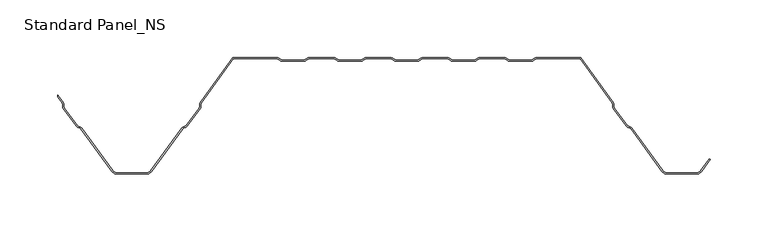
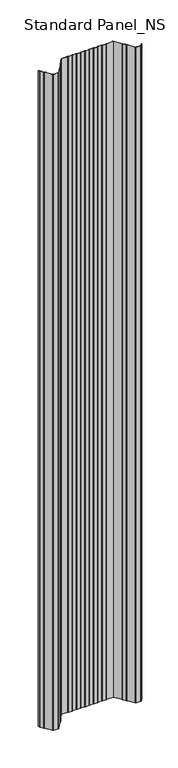
"""IFC4 building model written with IfcOpenShell, lengths in millimetres: proxy geometry, Standard Panel_NS."""

from ifc_helpers import new_model, si_unit, point, frame_2d, origin, origin_with_axes, place, context, project, spatial, polyline, circle_curve, trimmed, segment, composite_curve, outline, extrude, source, transform, mapped, element, save


def standard_panel_ns_eb3ed617(model_context):
    return source(origin(), model_context, "Body", "SweptSolid", [
        extrude(outline(composite_curve([segment(trimmed(circle_curve(frame_2d((-267.5943584, -40.4146398)), 2.7486049), [point((-265.3690592, -38.8012978))], [point((-264.8478765, -40.3066321))], False, "CARTESIAN"), True, "CONTINUOUS"), segment(polyline([(-264.8478765, -40.3066321), (-264.7597011, -42.5488047)]), True, "CONTINUOUS"), segment(trimmed(circle_curve(frame_2d((-263.0124468, -42.4800924)), 1.7486049), [point((-264.7597011, -42.5488047))], [point((-264.4281356, -43.5064668))], True, "CARTESIAN"), True, "CONTINUOUS"), segment(polyline([(-264.4281356, -43.5064668), (-253.3103065, -58.8414035)]), True, "CONTINUOUS"), segment(trimmed(circle_curve(frame_2d((-251.8946177, -57.8150291)), 1.7486049), [point((-253.3103065, -58.8414035))], [point((-252.5032119, -59.4543071))], True, "CARTESIAN"), True, "CONTINUOUS"), segment(polyline([(-252.5032119, -59.4543071), (-250.3996005, -60.2352885)]), True, "CONTINUOUS"), segment(trimmed(circle_curve(frame_2d((-251.3562403, -62.8120441)), 2.7486049), [point((-250.3996005, -60.2352885))], [point((-249.1309411, -61.1987022))], False, "CARTESIAN"), True, "CONTINUOUS"), segment(polyline([(-249.1309411, -61.1987022), (-222.4972427, -97.9348379)]), True, "CONTINUOUS"), segment(trimmed(circle_curve(frame_2d((-218.4491905, -95.0)), 5.0), [point((-222.4972427, -97.9348379))], [point((-218.4491905, -100.0))], True, "CARTESIAN"), True, "CONTINUOUS"), segment(polyline([(-218.4491905, -100.0), (-193.5508098, -100.0)]), True, "CONTINUOUS"), segment(trimmed(circle_curve(frame_2d((-193.5508098, -95.0)), 5.0), [point((-193.5508098, -100.0))], [point((-189.5027576, -97.9348379))], True, "CARTESIAN"), True, "CONTINUOUS"), segment(polyline([(-189.5027576, -97.9348379), (-162.8690592, -61.1987022)]), True, "CONTINUOUS"), segment(trimmed(circle_curve(frame_2d((-160.64376, -62.8120441)), 2.7486049), [point((-162.8690592, -61.1987022))], [point((-161.6003998, -60.2352885))], False, "CARTESIAN"), True, "CONTINUOUS"), segment(polyline([(-161.6003998, -60.2352885), (-159.4967884, -59.4543071)]), True, "CONTINUOUS"), segment(trimmed(circle_curve(frame_2d((-160.1053826, -57.8150291)), 1.7486049), [point((-159.4967884, -59.4543071))], [point((-158.6896938, -58.8414035))], True, "CARTESIAN"), True, "CONTINUOUS"), segment(polyline([(-158.6896938, -58.8414035), (-147.5718647, -43.5064668)]), True, "CONTINUOUS"), segment(trimmed(circle_curve(frame_2d((-148.9875535, -42.4800924)), 1.7486049), [point((-147.5718647, -43.5064668))], [point((-147.2402992, -42.5488047))], True, "CARTESIAN"), True, "CONTINUOUS"), segment(polyline([(-147.2402992, -42.5488047), (-147.1521238, -40.3066321)]), True, "CONTINUOUS"), segment(trimmed(circle_curve(frame_2d((-144.4056419, -40.4146398)), 2.7486049), [point((-147.1521238, -40.3066321))], [point((-146.6309411, -38.8012978))], False, "CARTESIAN"), True, "CONTINUOUS"), segment(polyline([(-146.6309411, -38.8012978), (-118.5000002, 0.0), (-80.1655441, 0.0)]), True, "CONTINUOUS"), segment(trimmed(circle_curve(frame_2d((-80.1655441, -2.7486049)), 2.7486049), [point((-80.1655441, 0.0))], [point((-78.6408924, -0.4616274))], False, "CARTESIAN"), True, "CONTINUOUS"), segment(polyline([(-78.6408924, -0.4616274), (-76.77385, -1.7063223)]), True, "CONTINUOUS"), segment(trimmed(circle_curve(frame_2d((-75.8038985, -0.2513951)), 1.7486049), [point((-76.77385, -1.7063223))], [point((-75.8038985, -2.0))], True, "CARTESIAN"), True, "CONTINUOUS"), segment(polyline([(-75.8038985, -2.0), (-56.8627684, -2.0)]), True, "CONTINUOUS"), segment(trimmed(circle_curve(frame_2d((-56.8627684, -0.2513951)), 1.7486049), [point((-56.8627684, -2.0))], [point((-55.892817, -1.7063223))], True, "CARTESIAN"), True, "CONTINUOUS"), segment(polyline([(-55.892817, -1.7063223), (-54.0257746, -0.4616274)]), True, "CONTINUOUS"), segment(trimmed(circle_curve(frame_2d((-52.5011229, -2.7486049)), 2.7486049), [point((-54.0257746, -0.4616274))], [point((-52.5011229, 0.0))], False, "CARTESIAN"), True, "CONTINUOUS"), segment(polyline([(-52.5011229, 0.0), (-30.9988774, 0.0)]), True, "CONTINUOUS"), segment(trimmed(circle_curve(frame_2d((-30.9988774, -2.7486049)), 2.7486049), [point((-30.9988774, 0.0))], [point((-29.4742257, -0.4616274))], False, "CARTESIAN"), True, "CONTINUOUS"), segment(polyline([(-29.4742257, -0.4616274), (-27.6071833, -1.7063223)]), True, "CONTINUOUS"), segment(trimmed(circle_curve(frame_2d((-26.6372319, -0.2513951)), 1.7486049), [point((-27.6071833, -1.7063223))], [point((-26.6372319, -2.0))], True, "CARTESIAN"), True, "CONTINUOUS"), segment(polyline([(-26.6372319, -2.0), (-7.6961018, -2.0)]), True, "CONTINUOUS"), segment(trimmed(circle_curve(frame_2d((-7.6961018, -0.2513951)), 1.7486049), [point((-7.6961018, -2.0))], [point((-6.7261503, -1.7063223))], True, "CARTESIAN"), True, "CONTINUOUS"), segment(polyline([(-6.7261503, -1.7063223), (-4.8591079, -0.4616274)]), True, "CONTINUOUS"), segment(trimmed(circle_curve(frame_2d((-3.3344562, -2.7486049)), 2.7486049), [point((-4.8591079, -0.4616274))], [point((-3.3344562, 0.0))], False, "CARTESIAN"), True, "CONTINUOUS"), segment(polyline([(-3.3344562, 0.0), (18.1677892, 0.0)]), True, "CONTINUOUS"), segment(trimmed(circle_curve(frame_2d((18.1677892, -2.7486049)), 2.7486049), [point((18.1677892, 0.0))], [point((19.6924409, -0.4616274))], False, "CARTESIAN"), True, "CONTINUOUS"), segment(polyline([(19.6924409, -0.4616274), (21.5594833, -1.7063223)]), True, "CONTINUOUS"), segment(trimmed(circle_curve(frame_2d((22.5294348, -0.2513951)), 1.7486049), [point((21.5594833, -1.7063223))], [point((22.5294348, -2.0))], True, "CARTESIAN"), True, "CONTINUOUS"), segment(polyline([(22.5294348, -2.0), (41.4705649, -2.0)]), True, "CONTINUOUS"), segment(trimmed(circle_curve(frame_2d((41.4705649, -0.2513951)), 1.7486049), [point((41.4705649, -2.0))], [point((42.4405164, -1.7063223))], True, "CARTESIAN"), True, "CONTINUOUS"), segment(polyline([(42.4405164, -1.7063223), (44.3075588, -0.4616274)]), True, "CONTINUOUS"), segment(trimmed(circle_curve(frame_2d((45.8322104, -2.7486049)), 2.7486049), [point((44.3075588, -0.4616274))], [point((45.8322104, 0.0))], False, "CARTESIAN"), True, "CONTINUOUS"), segment(polyline([(45.8322104, 0.0), (67.3344559, 0.0)]), True, "CONTINUOUS"), segment(trimmed(circle_curve(frame_2d((67.3344559, -2.7486049)), 2.7486049), [point((67.3344559, 0.0))], [point((68.8591076, -0.4616274))], False, "CARTESIAN"), True, "CONTINUOUS"), segment(polyline([(68.8591076, -0.4616274), (70.72615, -1.7063223)]), True, "CONTINUOUS"), segment(trimmed(circle_curve(frame_2d((71.6961015, -0.2513951)), 1.7486049), [point((70.72615, -1.7063223))], [point((71.6961015, -2.0))], True, "CARTESIAN"), True, "CONTINUOUS"), segment(polyline([(71.6961015, -2.0), (90.6372316, -2.0)]), True, "CONTINUOUS"), segment(trimmed(circle_curve(frame_2d((90.6372316, -0.2513951)), 1.7486049), [point((90.6372316, -2.0))], [point((91.607183, -1.7063223))], True, "CARTESIAN"), True, "CONTINUOUS"), segment(polyline([(91.607183, -1.7063223), (93.4742254, -0.4616274)]), True, "CONTINUOUS"), segment(trimmed(circle_curve(frame_2d((94.9988771, -2.7486049)), 2.7486049), [point((93.4742254, -0.4616274))], [point((94.9988771, 0.0))], False, "CARTESIAN"), True, "CONTINUOUS"), segment(polyline([(94.9988771, 0.0), (116.5011226, 0.0)]), True, "CONTINUOUS"), segment(trimmed(circle_curve(frame_2d((116.5011226, -2.7486049)), 2.7486049), [point((116.5011226, 0.0))], [point((118.0257743, -0.4616274))], False, "CARTESIAN"), True, "CONTINUOUS"), segment(polyline([(118.0257743, -0.4616274), (119.8928167, -1.7063223)]), True, "CONTINUOUS"), segment(trimmed(circle_curve(frame_2d((120.8627681, -0.2513951)), 1.7486049), [point((119.8928167, -1.7063223))], [point((120.8627681, -2.0))], True, "CARTESIAN"), True, "CONTINUOUS"), segment(polyline([(120.8627681, -2.0), (139.8038982, -2.0)]), True, "CONTINUOUS"), segment(trimmed(circle_curve(frame_2d((139.8038982, -0.2513951)), 1.7486049), [point((139.8038982, -2.0))], [point((140.7738497, -1.7063223))], True, "CARTESIAN"), True, "CONTINUOUS"), segment(polyline([(140.7738497, -1.7063223), (142.6408921, -0.4616274)]), True, "CONTINUOUS"), segment(trimmed(circle_curve(frame_2d((144.1655438, -2.7486049)), 2.7486049), [point((142.6408921, -0.4616274))], [point((144.1655438, 0.0))], False, "CARTESIAN"), True, "CONTINUOUS"), segment(polyline([(144.1655438, 0.0), (182.4999998, 0.0), (210.6309408, -38.8012978)]), True, "CONTINUOUS"), segment(trimmed(circle_curve(frame_2d((208.4056416, -40.4146398)), 2.7486049), [point((210.6309408, -38.8012978))], [point((211.1521235, -40.3066321))], False, "CARTESIAN"), True, "CONTINUOUS"), segment(polyline([(211.1521235, -40.3066321), (211.2402989, -42.5488047)]), True, "CONTINUOUS"), segment(trimmed(circle_curve(frame_2d((212.9875532, -42.4800924)), 1.7486049), [point((211.2402989, -42.5488047))], [point((211.5718644, -43.5064668))], True, "CARTESIAN"), True, "CONTINUOUS"), segment(polyline([(211.5718644, -43.5064668), (222.6896935, -58.8414035)]), True, "CONTINUOUS"), segment(trimmed(circle_curve(frame_2d((224.1053823, -57.8150291)), 1.7486049), [point((222.6896935, -58.8414035))], [point((223.4967881, -59.4543071))], True, "CARTESIAN"), True, "CONTINUOUS"), segment(polyline([(223.4967881, -59.4543071), (225.6003995, -60.2352885)]), True, "CONTINUOUS"), segment(trimmed(circle_curve(frame_2d((224.6437597, -62.8120441)), 2.7486049), [point((225.6003995, -60.2352885))], [point((226.8690589, -61.1987022))], False, "CARTESIAN"), True, "CONTINUOUS"), segment(polyline([(226.8690589, -61.1987022), (253.5027573, -97.9348379)]), True, "CONTINUOUS"), segment(trimmed(circle_curve(frame_2d((257.5508095, -95.0)), 5.0), [point((253.5027573, -97.9348379))], [point((257.5508095, -100.0))], True, "CARTESIAN"), True, "CONTINUOUS"), segment(polyline([(257.5508095, -100.0), (282.4491902, -100.0)]), True, "CONTINUOUS"), segment(trimmed(circle_curve(frame_2d((282.4491902, -95.0)), 5.0), [point((282.4491902, -100.0))], [point((286.4972424, -97.9348379))], True, "CARTESIAN"), True, "CONTINUOUS"), segment(polyline([(286.4972424, -97.9348379), (293.8045134, -87.8558433), (294.6141239, -88.4428109), (287.3068528, -98.5218054)]), True, "CONTINUOUS"), segment(trimmed(circle_curve(frame_2d((282.4491902, -95.0)), 6.0), [point((287.3068528, -98.5218054))], [point((282.4491902, -101.0))], False, "CARTESIAN"), True, "CONTINUOUS"), segment(polyline([(282.4491902, -101.0), (257.5508095, -101.0)]), True, "CONTINUOUS"), segment(trimmed(circle_curve(frame_2d((257.5508095, -95.0)), 6.0), [point((257.5508095, -101.0))], [point((252.6931469, -98.5218054))], False, "CARTESIAN"), True, "CONTINUOUS"), segment(polyline([(252.6931469, -98.5218054), (226.0594485, -61.7856697)]), True, "CONTINUOUS"), segment(trimmed(circle_curve(frame_2d((224.6437597, -62.8120441)), 1.7486049), [point((226.0594485, -61.7856697))], [point((225.2523539, -61.1727662))], True, "CARTESIAN"), True, "CONTINUOUS"), segment(polyline([(225.2523539, -61.1727662), (223.1487425, -60.3917847)]), True, "CONTINUOUS"), segment(trimmed(circle_curve(frame_2d((224.1053823, -57.8150291)), 2.7486049), [point((223.1487425, -60.3917847))], [point((221.8800831, -59.4283711))], False, "CARTESIAN"), True, "CONTINUOUS"), segment(polyline([(221.8800831, -59.4283711), (210.762254, -44.0934344)]), True, "CONTINUOUS"), segment(trimmed(circle_curve(frame_2d((212.9875532, -42.4800924)), 2.7486049), [point((210.762254, -44.0934344))], [point((210.2410712, -42.5881001))], False, "CARTESIAN"), True, "CONTINUOUS"), segment(polyline([(210.2410712, -42.5881001), (210.1528959, -40.3459275)]), True, "CONTINUOUS"), segment(trimmed(circle_curve(frame_2d((208.4056416, -40.4146398)), 1.7486049), [point((210.1528959, -40.3459275))], [point((209.8213303, -39.3882654))], True, "CARTESIAN"), True, "CONTINUOUS"), segment(polyline([(209.8213303, -39.3882654), (181.9898379, -1.0), (144.1655438, -1.0)]), True, "CONTINUOUS"), segment(trimmed(circle_curve(frame_2d((144.1655438, -2.7486049)), 1.7486049), [point((144.1655438, -1.0))], [point((143.1955923, -1.2936777))], True, "CARTESIAN"), True, "CONTINUOUS"), segment(polyline([(143.1955923, -1.2936777), (141.3285499, -2.5383726)]), True, "CONTINUOUS"), segment(trimmed(circle_curve(frame_2d((139.8038982, -0.2513951)), 2.7486049), [point((141.3285499, -2.5383726))], [point((139.8038982, -3.0))], False, "CARTESIAN"), True, "CONTINUOUS"), segment(polyline([(139.8038982, -3.0), (120.8627681, -3.0)]), True, "CONTINUOUS"), segment(trimmed(circle_curve(frame_2d((120.8627681, -0.2513951)), 2.7486049), [point((120.8627681, -3.0))], [point((119.3381165, -2.5383726))], False, "CARTESIAN"), True, "CONTINUOUS"), segment(polyline([(119.3381165, -2.5383726), (117.4710741, -1.2936777)]), True, "CONTINUOUS"), segment(trimmed(circle_curve(frame_2d((116.5011226, -2.7486049)), 1.7486049), [point((117.4710741, -1.2936777))], [point((116.5011226, -1.0))], True, "CARTESIAN"), True, "CONTINUOUS"), segment(polyline([(116.5011226, -1.0), (94.9988771, -1.0)]), True, "CONTINUOUS"), segment(trimmed(circle_curve(frame_2d((94.9988771, -2.7486049)), 1.7486049), [point((94.9988771, -1.0))], [point((94.0289256, -1.2936777))], True, "CARTESIAN"), True, "CONTINUOUS"), segment(polyline([(94.0289256, -1.2936777), (92.1618832, -2.5383726)]), True, "CONTINUOUS"), segment(trimmed(circle_curve(frame_2d((90.6372316, -0.2513951)), 2.7486049), [point((92.1618832, -2.5383726))], [point((90.6372316, -3.0))], False, "CARTESIAN"), True, "CONTINUOUS"), segment(polyline([(90.6372316, -3.0), (71.6961015, -3.0)]), True, "CONTINUOUS"), segment(trimmed(circle_curve(frame_2d((71.6961015, -0.2513951)), 2.7486049), [point((71.6961015, -3.0))], [point((70.1714498, -2.5383726))], False, "CARTESIAN"), True, "CONTINUOUS"), segment(polyline([(70.1714498, -2.5383726), (68.3044074, -1.2936777)]), True, "CONTINUOUS"), segment(trimmed(circle_curve(frame_2d((67.3344559, -2.7486049)), 1.7486049), [point((68.3044074, -1.2936777))], [point((67.3344559, -1.0))], True, "CARTESIAN"), True, "CONTINUOUS"), segment(polyline([(67.3344559, -1.0), (45.8322104, -1.0)]), True, "CONTINUOUS"), segment(trimmed(circle_curve(frame_2d((45.8322104, -2.7486049)), 1.7486049), [point((45.8322104, -1.0))], [point((44.862259, -1.2936777))], True, "CARTESIAN"), True, "CONTINUOUS"), segment(polyline([(44.862259, -1.2936777), (42.9952166, -2.5383726)]), True, "CONTINUOUS"), segment(trimmed(circle_curve(frame_2d((41.4705649, -0.2513951)), 2.7486049), [point((42.9952166, -2.5383726))], [point((41.4705649, -3.0))], False, "CARTESIAN"), True, "CONTINUOUS"), segment(polyline([(41.4705649, -3.0), (22.5294348, -3.0)]), True, "CONTINUOUS"), segment(trimmed(circle_curve(frame_2d((22.5294348, -0.2513951)), 2.7486049), [point((22.5294348, -3.0))], [point((21.0047831, -2.5383726))], False, "CARTESIAN"), True, "CONTINUOUS"), segment(polyline([(21.0047831, -2.5383726), (19.1377407, -1.2936777)]), True, "CONTINUOUS"), segment(trimmed(circle_curve(frame_2d((18.1677892, -2.7486049)), 1.7486049), [point((19.1377407, -1.2936777))], [point((18.1677892, -1.0))], True, "CARTESIAN"), True, "CONTINUOUS"), segment(polyline([(18.1677892, -1.0), (-3.3344562, -1.0)]), True, "CONTINUOUS"), segment(trimmed(circle_curve(frame_2d((-3.3344562, -2.7486049)), 1.7486049), [point((-3.3344562, -1.0))], [point((-4.3044077, -1.2936777))], True, "CARTESIAN"), True, "CONTINUOUS"), segment(polyline([(-4.3044077, -1.2936777), (-6.1714501, -2.5383726)]), True, "CONTINUOUS"), segment(trimmed(circle_curve(frame_2d((-7.6961018, -0.2513951)), 2.7486049), [point((-6.1714501, -2.5383726))], [point((-7.6961018, -3.0))], False, "CARTESIAN"), True, "CONTINUOUS"), segment(polyline([(-7.6961018, -3.0), (-26.6372319, -3.0)]), True, "CONTINUOUS"), segment(trimmed(circle_curve(frame_2d((-26.6372319, -0.2513951)), 2.7486049), [point((-26.6372319, -3.0))], [point((-28.1618835, -2.5383726))], False, "CARTESIAN"), True, "CONTINUOUS"), segment(polyline([(-28.1618835, -2.5383726), (-30.0289259, -1.2936777)]), True, "CONTINUOUS"), segment(trimmed(circle_curve(frame_2d((-30.9988774, -2.7486049)), 1.7486049), [point((-30.0289259, -1.2936777))], [point((-30.9988774, -1.0))], True, "CARTESIAN"), True, "CONTINUOUS"), segment(polyline([(-30.9988774, -1.0), (-52.5011229, -1.0)]), True, "CONTINUOUS"), segment(trimmed(circle_curve(frame_2d((-52.5011229, -2.7486049)), 1.7486049), [point((-52.5011229, -1.0))], [point((-53.4710744, -1.2936777))], True, "CARTESIAN"), True, "CONTINUOUS"), segment(polyline([(-53.4710744, -1.2936777), (-55.3381168, -2.5383726)]), True, "CONTINUOUS"), segment(trimmed(circle_curve(frame_2d((-56.8627684, -0.2513951)), 2.7486049), [point((-55.3381168, -2.5383726))], [point((-56.8627684, -3.0))], False, "CARTESIAN"), True, "CONTINUOUS"), segment(polyline([(-56.8627684, -3.0), (-75.8038985, -3.0)]), True, "CONTINUOUS"), segment(trimmed(circle_curve(frame_2d((-75.8038985, -0.2513951)), 2.7486049), [point((-75.8038985, -3.0))], [point((-77.3285502, -2.5383726))], False, "CARTESIAN"), True, "CONTINUOUS"), segment(polyline([(-77.3285502, -2.5383726), (-79.1955926, -1.2936777)]), True, "CONTINUOUS"), segment(trimmed(circle_curve(frame_2d((-80.1655441, -2.7486049)), 1.7486049), [point((-79.1955926, -1.2936777))], [point((-80.1655441, -1.0))], True, "CARTESIAN"), True, "CONTINUOUS"), segment(polyline([(-80.1655441, -1.0), (-117.9898382, -1.0), (-145.8213306, -39.3882654)]), True, "CONTINUOUS"), segment(trimmed(circle_curve(frame_2d((-144.4056419, -40.4146398)), 1.7486049), [point((-145.8213306, -39.3882654))], [point((-146.1528962, -40.3459275))], True, "CARTESIAN"), True, "CONTINUOUS"), segment(polyline([(-146.1528962, -40.3459275), (-146.2410715, -42.5881001)]), True, "CONTINUOUS"), segment(trimmed(circle_curve(frame_2d((-148.9875535, -42.4800924)), 2.7486049), [point((-146.2410715, -42.5881001))], [point((-146.7622543, -44.0934344))], False, "CARTESIAN"), True, "CONTINUOUS"), segment(polyline([(-146.7622543, -44.0934344), (-157.8800834, -59.4283711)]), True, "CONTINUOUS"), segment(trimmed(circle_curve(frame_2d((-160.1053826, -57.8150291)), 2.7486049), [point((-157.8800834, -59.4283711))], [point((-159.1487428, -60.3917847))], False, "CARTESIAN"), True, "CONTINUOUS"), segment(polyline([(-159.1487428, -60.3917847), (-161.2523542, -61.1727662)]), True, "CONTINUOUS"), segment(trimmed(circle_curve(frame_2d((-160.64376, -62.8120441)), 1.7486049), [point((-161.2523542, -61.1727662))], [point((-162.0594488, -61.7856697))], True, "CARTESIAN"), True, "CONTINUOUS"), segment(polyline([(-162.0594488, -61.7856697), (-188.6931472, -98.5218054)]), True, "CONTINUOUS"), segment(trimmed(circle_curve(frame_2d((-193.5508098, -95.0)), 6.0), [point((-188.6931472, -98.5218054))], [point((-193.5508098, -101.0))], False, "CARTESIAN"), True, "CONTINUOUS"), segment(polyline([(-193.5508098, -101.0), (-218.4491905, -101.0)]), True, "CONTINUOUS"), segment(trimmed(circle_curve(frame_2d((-218.4491905, -95.0)), 6.0), [point((-218.4491905, -101.0))], [point((-223.3068531, -98.5218054))], False, "CARTESIAN"), True, "CONTINUOUS"), segment(polyline([(-223.3068531, -98.5218054), (-249.9405515, -61.7856697)]), True, "CONTINUOUS"), segment(trimmed(circle_curve(frame_2d((-251.3562403, -62.8120441)), 1.7486049), [point((-249.9405515, -61.7856697))], [point((-250.7476461, -61.1727662))], True, "CARTESIAN"), True, "CONTINUOUS"), segment(polyline([(-250.7476461, -61.1727662), (-252.8512575, -60.3917847)]), True, "CONTINUOUS"), segment(trimmed(circle_curve(frame_2d((-251.8946177, -57.8150291)), 2.7486049), [point((-252.8512575, -60.3917847))], [point((-254.1199169, -59.4283711))], False, "CARTESIAN"), True, "CONTINUOUS"), segment(polyline([(-254.1199169, -59.4283711), (-265.237746, -44.0934344)]), True, "CONTINUOUS"), segment(trimmed(circle_curve(frame_2d((-263.0124468, -42.4800924)), 2.7486049), [point((-265.237746, -44.0934344))], [point((-265.7589288, -42.5881001))], False, "CARTESIAN"), True, "CONTINUOUS"), segment(polyline([(-265.7589288, -42.5881001), (-265.8471041, -40.3459275)]), True, "CONTINUOUS"), segment(trimmed(circle_curve(frame_2d((-267.5943584, -40.4146398)), 1.7486049), [point((-265.8471041, -40.3459275))], [point((-266.1786697, -39.3882654))], True, "CARTESIAN"), True, "CONTINUOUS"), segment(polyline([(-266.1786697, -39.3882654), (-269.9999998, -34.1174652), (-269.9999998, -32.4137935), (-265.3690592, -38.8012978)]), True, "CONTINUOUS")], self_intersect=False)), origin_with_axes(), (0.0, 0.0, 1.0), 4000.0),
    ])


if __name__ == "__main__":
    model = new_model("IFC4")
    model_context = context("Model", 3, world=origin())
    ifc_project = project(units=[si_unit("LENGTHUNIT", "METRE", prefix="MILLI")], contexts=[model_context])
    site = spatial("IfcSite", under=ifc_project)
    building = spatial("IfcBuilding", under=site)
    placement = place(None, origin())
    standard_panel_ns_shape = standard_panel_ns_eb3ed617(model_context)
    element("IfcBuildingElementProxy", 1, Name="Standard Panel_NS", ObjectType="Standard Panel_NS", at=placement, inside=building, context=model_context, shape_type="MappedRepresentation", body=[
        mapped(standard_panel_ns_shape, transform((0.0, 0.0, 0.0), x_axis=(1.0, 0.0, 0.0), y_axis=(0.0, 1.0, 0.0), z_axis=(0.0, 0.0, 1.0))),
    ])
    save(model, "model.ifc")
